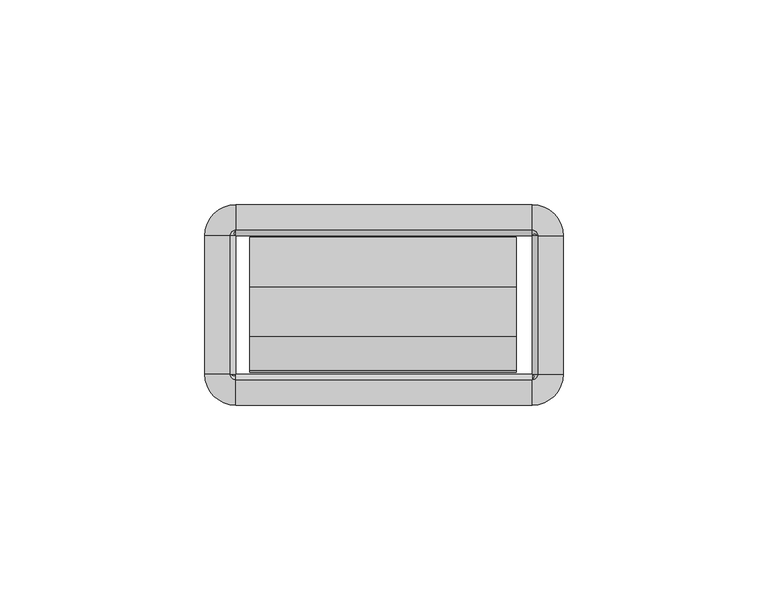
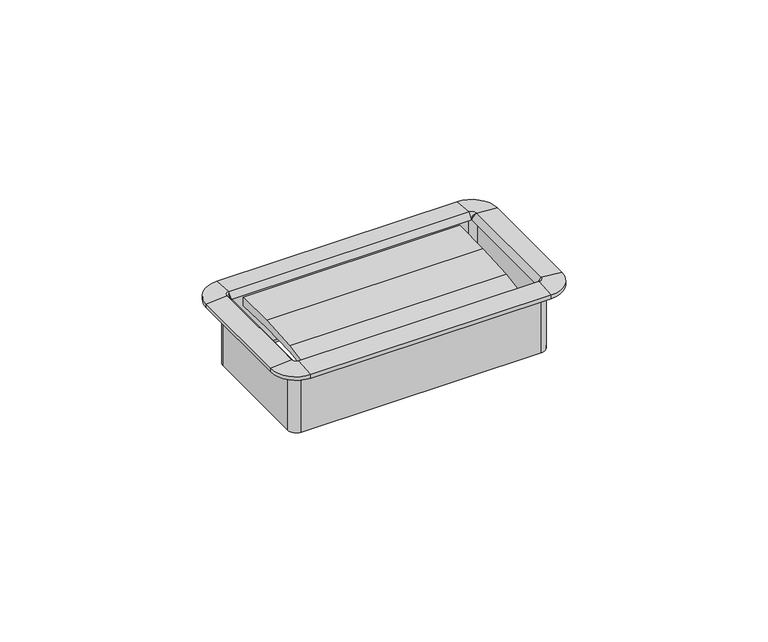
"""IFC4 building model written with IfcOpenShell, lengths in millimetres: furniture geometry."""

from ifc_helpers import new_model, si_unit, frame, origin, place, context, project, spatial, polyline, circle_curve, outline, extrude, source, transform, mapped, element, save
from ifc_brep_helpers import plane_surface, cylinder_surface, revolved_surface, advanced_brep


def furniture_b379527e(model_context):
    return source(origin(), model_context, "Body", "SolidModel", [
        extrude(outline(polyline([(-27.4015977, 720.9713463), (-35.841251, 719.9077762), (-35.4230807, 721.2857243), (-27.1272776, 722.8247401), (-15.0207956, 723.6183076), (-2.8884162, 723.6634028), (-2.9633248, 720.9052515), (-15.1814712, 721.3042355), (-27.4015977, 720.9713463)])), frame((-32.8496732, 0.0, 0.0), z_axis=(1.0, 0.0, 0.0), x_axis=(0.0, 1.0, 0.0)), (0.0, 0.0, 1.0), 65.1763996),
        advanced_brep(
        [(37.8602578, -2.54, 723.9), (36.1704551, -0.8501974, 723.9), (36.1704551, -0.8501974, 705.0532), (37.8602578, -2.54, 705.0532), (37.5244377, -2.54, 725.5652454), (36.1704551, -1.1860174, 725.5652454), (36.1704551, -2.5172282, 723.9), (43.7913825, -2.54, 725.043), (36.1704551, 5.0809274, 725.043), (43.7913825, -2.54, 723.9), (36.1704551, 5.0809274, 723.9), (38.7104551, -2.54, 703.5799989), (36.1704551, 0.0, 703.5799989), (36.1704551, 0.0, 723.9), (38.7104551, -2.54, 723.9), (37.8602578, -36.2712, 705.0532), (37.8602578, -36.2712, 723.9), (36.1932269, -36.2712, 723.9), (37.5244377, -36.2712, 725.5652454), (43.7913825, -36.2712, 725.043), (43.7913825, -36.2712, 723.9), (38.7104551, -36.2712, 723.9), (38.7104551, -36.2712, 703.5799989), (36.1704551, -37.9610026, 723.9), (36.1704551, -37.9610026, 705.0532), (36.1704551, -37.6251826, 725.5652454), (36.1704551, -43.8921274, 725.043), (36.1704551, -43.8921274, 723.9), (36.1704551, -38.8112, 703.5799989), (36.1704551, -38.8112, 723.9), (-36.1687428, -37.9610026, 705.0532), (-36.1687428, -37.9610026, 723.9), (-36.1687428, -36.2939718, 723.9), (-36.1687428, -37.6251826, 725.5652454), (-36.1687428, -43.8921274, 725.043), (-36.1687428, -43.8921274, 723.9), (-36.1687428, -38.8112, 723.9), (-36.1687428, -38.8112, 703.5799989), (-37.8585455, -36.2712, 723.9), (-37.8585455, -36.2712, 705.0532), (-37.5227254, -36.2712, 725.5652454), (-43.7896702, -36.2712, 725.043), (-43.7896702, -36.2712, 723.9), (-38.7087428, -36.2712, 703.5799989), (-38.7087428, -36.2712, 723.9), (-37.8585455, -2.54, 705.0532), (-37.8585455, -2.54, 723.9), (-36.1915146, -2.54, 723.9), (-37.5227254, -2.54, 725.5652454), (-43.7896702, -2.54, 725.043), (-43.7896702, -2.54, 723.9), (-38.7087428, -2.54, 723.9), (-38.7087428, -2.54, 703.5799989), (-36.1687428, -0.8501974, 723.9), (-36.1687428, -0.8501974, 705.0532), (-36.1687428, -1.1860174, 725.5652454), (-36.1687428, 5.0809274, 725.043), (-36.1687428, 5.0809274, 723.9), (-36.1687428, 0.0, 703.5799989), (-36.1687428, 0.0, 723.9), (38.6519521, -2.54, 705.0532), (36.1704551, -0.058503, 705.0532), (38.6519521, -36.2712, 705.0532), (36.1704551, -38.752697, 705.0532), (-36.1687428, -38.752697, 705.0532), (-38.6502398, -36.2712, 705.0532), (-38.6502398, -2.54, 705.0532), (-36.1687428, -0.058503, 705.0532)],
        [
            (0, 1, circle_curve(frame((36.1704551, -2.54, 723.9), z_axis=(0.0, 0.0, 1.0), x_axis=(0.0, 1.0, 0.0)), 1.6898026)),
            (1, 2),
            (2, 3, circle_curve(frame((36.1704551, -2.54, 705.0532), z_axis=(0.0, 0.0, -1.0), x_axis=(0.0, 1.0, 0.0)), 1.6898026)),
            (3, 0),
            (4, 5, circle_curve(frame((36.1704551, -2.54, 725.5652454), z_axis=(0.0, 0.0, 1.0), x_axis=(0.0, 1.0, 0.0)), 1.3539826)),
            (5, 6),
            (6, 4),
            (7, 8, circle_curve(frame((36.1704551, -2.54, 725.043), z_axis=(0.0, 0.0, 1.0), x_axis=(0.0, 1.0, 0.0)), 7.6209274)),
            (8, 5),
            (4, 7),
            (9, 10, circle_curve(frame((36.1704551, -2.54, 723.9), z_axis=(0.0, 0.0, 1.0), x_axis=(0.0, 1.0, 0.0)), 7.6209274)),
            (10, 8),
            (7, 9),
            (11, 12, circle_curve(frame((36.1704551, -2.54, 703.5799989), z_axis=(0.0, 0.0, 1.0), x_axis=(0.0, 1.0, 0.0)), 2.54)),
            (12, 13),
            (13, 14, circle_curve(frame((36.1704551, -2.54, 723.9), z_axis=(0.0, 0.0, -1.0), x_axis=(0.0, 1.0, 0.0)), 2.54)),
            (14, 11),
            (3, 15),
            (15, 16),
            (16, 0),
            (6, 17),
            (17, 18),
            (18, 4),
            (18, 19),
            (19, 7),
            (19, 20),
            (20, 9),
            (14, 21),
            (21, 22),
            (22, 11),
            (23, 16, circle_curve(frame((36.1704551, -36.2712, 723.9), z_axis=(0.0, 0.0, 1.0), x_axis=(1.0, 0.0, 0.0)), 1.6898026)),
            (15, 24, circle_curve(frame((36.1704551, -36.2712, 705.0532), z_axis=(0.0, 0.0, -1.0), x_axis=(1.0, 0.0, 0.0)), 1.6898026)),
            (24, 23),
            (25, 18, circle_curve(frame((36.1704551, -36.2712, 725.5652454), z_axis=(0.0, 0.0, 1.0), x_axis=(1.0, 0.0, 0.0)), 1.3539826)),
            (17, 25),
            (26, 19, circle_curve(frame((36.1704551, -36.2712, 725.043), z_axis=(0.0, 0.0, 1.0), x_axis=(1.0, 0.0, 0.0)), 7.6209274)),
            (25, 26),
            (27, 20, circle_curve(frame((36.1704551, -36.2712, 723.9), z_axis=(0.0, 0.0, 1.0), x_axis=(1.0, 0.0, 0.0)), 7.6209274)),
            (26, 27),
            (28, 22, circle_curve(frame((36.1704551, -36.2712, 703.5799989), z_axis=(0.0, 0.0, 1.0), x_axis=(1.0, 0.0, 0.0)), 2.54)),
            (21, 29, circle_curve(frame((36.1704551, -36.2712, 723.9), z_axis=(0.0, 0.0, -1.0), x_axis=(1.0, 0.0, 0.0)), 2.54)),
            (29, 28),
            (24, 30),
            (30, 31),
            (31, 23),
            (17, 32),
            (32, 33),
            (33, 25),
            (33, 34),
            (34, 26),
            (34, 35),
            (35, 27),
            (29, 36),
            (36, 37),
            (37, 28),
            (38, 31, circle_curve(frame((-36.1687428, -36.2712, 723.9), z_axis=(0.0, 0.0, 1.0), x_axis=(0.0, -1.0, 0.0)), 1.6898026)),
            (30, 39, circle_curve(frame((-36.1687428, -36.2712, 705.0532), z_axis=(0.0, 0.0, -1.0), x_axis=(0.0, -1.0, 0.0)), 1.6898026)),
            (39, 38),
            (40, 33, circle_curve(frame((-36.1687428, -36.2712, 725.5652454), z_axis=(0.0, 0.0, 1.0), x_axis=(0.0, -1.0, 0.0)), 1.3539826)),
            (32, 40),
            (41, 34, circle_curve(frame((-36.1687428, -36.2712, 725.043), z_axis=(0.0, 0.0, 1.0), x_axis=(0.0, -1.0, 0.0)), 7.6209274)),
            (40, 41),
            (42, 35, circle_curve(frame((-36.1687428, -36.2712, 723.9), z_axis=(0.0, 0.0, 1.0), x_axis=(0.0, -1.0, 0.0)), 7.6209274)),
            (41, 42),
            (43, 37, circle_curve(frame((-36.1687428, -36.2712, 703.5799989), z_axis=(0.0, 0.0, 1.0), x_axis=(0.0, -1.0, 0.0)), 2.54)),
            (36, 44, circle_curve(frame((-36.1687428, -36.2712, 723.9), z_axis=(0.0, 0.0, -1.0), x_axis=(0.0, -1.0, 0.0)), 2.54)),
            (44, 43),
            (39, 45),
            (45, 46),
            (46, 38),
            (32, 47),
            (47, 48),
            (48, 40),
            (48, 49),
            (49, 41),
            (49, 50),
            (50, 42),
            (44, 51),
            (51, 52),
            (52, 43),
            (53, 46, circle_curve(frame((-36.1687428, -2.54, 723.9), z_axis=(0.0, 0.0, 1.0), x_axis=(-1.0, 0.0, 0.0)), 1.6898026)),
            (45, 54, circle_curve(frame((-36.1687428, -2.54, 705.0532), z_axis=(0.0, 0.0, -1.0), x_axis=(-1.0, 0.0, 0.0)), 1.6898026)),
            (54, 53),
            (55, 48, circle_curve(frame((-36.1687428, -2.54, 725.5652454), z_axis=(0.0, 0.0, 1.0), x_axis=(-1.0, 0.0, 0.0)), 1.3539826)),
            (47, 55),
            (56, 49, circle_curve(frame((-36.1687428, -2.54, 725.043), z_axis=(0.0, 0.0, 1.0), x_axis=(-1.0, 0.0, 0.0)), 7.6209274)),
            (55, 56),
            (57, 50, circle_curve(frame((-36.1687428, -2.54, 723.9), z_axis=(0.0, 0.0, 1.0), x_axis=(-1.0, 0.0, 0.0)), 7.6209274)),
            (56, 57),
            (58, 52, circle_curve(frame((-36.1687428, -2.54, 703.5799989), z_axis=(0.0, 0.0, 1.0), x_axis=(-1.0, 0.0, 0.0)), 2.54)),
            (51, 59, circle_curve(frame((-36.1687428, -2.54, 723.9), z_axis=(0.0, 0.0, -1.0), x_axis=(-1.0, 0.0, 0.0)), 2.54)),
            (59, 58),
            (54, 2),
            (1, 53),
            (6, 47),
            (5, 55),
            (8, 56),
            (10, 57),
            (13, 59),
            (12, 58),
            (60, 61, circle_curve(frame((36.1704551, -2.54, 705.0532), z_axis=(0.0, 0.0, 1.0), x_axis=(0.0, 1.0, 0.0)), 2.481497)),
            (61, 12),
            (11, 60),
            (22, 62),
            (62, 60),
            (63, 62, circle_curve(frame((36.1704551, -36.2712, 705.0532), z_axis=(0.0, 0.0, 1.0), x_axis=(1.0, 0.0, 0.0)), 2.481497)),
            (28, 63),
            (37, 64),
            (64, 63),
            (65, 64, circle_curve(frame((-36.1687428, -36.2712, 705.0532), z_axis=(0.0, 0.0, 1.0), x_axis=(0.0, -1.0, 0.0)), 2.481497)),
            (43, 65),
            (52, 66),
            (66, 65),
            (67, 66, circle_curve(frame((-36.1687428, -2.54, 705.0532), z_axis=(0.0, 0.0, 1.0), x_axis=(-1.0, 0.0, 0.0)), 2.481497)),
            (58, 67),
            (61, 67),
        ],
        [
            revolved_surface(polyline([(36.1704551, -0.8501974000000001, 705.0532), (36.1704551, -0.8501974000000001, 723.9)]), (36.1704551, -2.54, 723.9), (0.0, 0.0, -1.0)),
            revolved_surface(polyline([(36.1704551, -2.5172282, 723.9), (36.1704551, -1.1860174, 725.5652454)]), (36.1704551, -2.54, 723.9), (0.0, 0.0, -1.0)),
            revolved_surface(polyline([(36.1704551, -1.1860174, 725.5652454), (36.1704551, 5.0809274, 725.043)]), (36.1704551, -2.54, 723.9), (0.0, 0.0, -1.0)),
            cylinder_surface(frame((36.1704551, -2.54, 723.9), z_axis=(0.0, 0.0, -1.0), x_axis=(0.0, 1.0, 0.0)), 7.6209274),
            cylinder_surface(frame((36.1704551, -2.54, 723.9), z_axis=(0.0, 0.0, -1.0), x_axis=(0.0, 1.0, 0.0)), 2.54),
            plane_surface(frame((37.8602578, -2.54, 705.0532), z_axis=(-1.0, 0.0, 0.0), x_axis=(0.0, -1.0, 0.0))),
            plane_surface(frame((36.1932269, -2.54, 723.9), z_axis=(-0.7810942622858547, 0.0, 0.6244131272035499), x_axis=(0.0, -1.0, 0.0))),
            plane_surface(frame((37.5244377, -2.54, 725.5652454), z_axis=(0.08304548081379862, 0.0, 0.9965457581648749), x_axis=(0.0, -1.0, 0.0))),
            plane_surface(frame((43.7913825, -2.54, 725.043), z_axis=(1.0, 0.0, 0.0), x_axis=(0.0, -1.0, 0.0))),
            plane_surface(frame((38.7104551, -2.54, 723.9), z_axis=(1.0, 0.0, 0.0), x_axis=(0.0, -1.0, 0.0))),
            revolved_surface(polyline([(37.8602577, -36.2712, 705.0532), (37.8602577, -36.2712, 723.9)]), (36.1704551, -36.2712, 723.9), (0.0, 0.0, -1.0)),
            revolved_surface(polyline([(36.1932269, -36.2712, 723.9), (37.5244377, -36.2712, 725.5652454)]), (36.1704551, -36.2712, 723.9), (0.0, 0.0, -1.0)),
            revolved_surface(polyline([(37.5244377, -36.2712, 725.5652454), (43.7913825, -36.2712, 725.043)]), (36.1704551, -36.2712, 723.9), (0.0, 0.0, -1.0)),
            cylinder_surface(frame((36.1704551, -36.2712, 723.9), z_axis=(0.0, 0.0, -1.0), x_axis=(1.0, 0.0, 0.0)), 7.6209274),
            cylinder_surface(frame((36.1704551, -36.2712, 723.9), z_axis=(0.0, 0.0, -1.0), x_axis=(1.0, 0.0, 0.0)), 2.54),
            plane_surface(frame((36.1704551, -37.9610026, 705.0532), z_axis=(0.0, 1.0, 0.0), x_axis=(-1.0, 0.0, 0.0))),
            plane_surface(frame((36.1704551, -36.2939718, 723.9), z_axis=(0.0, 0.7810942622858565, 0.6244131272035475), x_axis=(-1.0, 0.0, 0.0))),
            plane_surface(frame((36.1704551, -37.6251826, 725.5652454), z_axis=(0.0, -0.08304548081379555, 0.9965457581648751), x_axis=(-1.0, 0.0, 0.0))),
            plane_surface(frame((36.1704551, -43.8921274, 725.043), z_axis=(0.0, -1.0, 0.0), x_axis=(-1.0, 0.0, 0.0))),
            plane_surface(frame((36.1704551, -38.8112, 723.9), z_axis=(0.0, -1.0, 0.0), x_axis=(-1.0, 0.0, 0.0))),
            revolved_surface(polyline([(-36.1687428, -37.9610026, 705.0532), (-36.1687428, -37.9610026, 723.9)]), (-36.1687428, -36.2712, 723.9), (0.0, 0.0, -1.0)),
            revolved_surface(polyline([(-36.1687428, -36.2939718, 723.9), (-36.1687428, -37.6251826, 725.5652454)]), (-36.1687428, -36.2712, 723.9), (0.0, 0.0, -1.0)),
            revolved_surface(polyline([(-36.1687428, -37.6251826, 725.5652454), (-36.1687428, -43.8921274, 725.043)]), (-36.1687428, -36.2712, 723.9), (0.0, 0.0, -1.0)),
            cylinder_surface(frame((-36.1687428, -36.2712, 723.9), z_axis=(0.0, 0.0, -1.0), x_axis=(0.0, -1.0, 0.0)), 7.6209274),
            cylinder_surface(frame((-36.1687428, -36.2712, 723.9), z_axis=(0.0, 0.0, -1.0), x_axis=(0.0, -1.0, 0.0)), 2.54),
            plane_surface(frame((-37.8585455, -36.2712, 705.0532), z_axis=(1.0, 0.0, 0.0), x_axis=(0.0, 1.0, 0.0))),
            plane_surface(frame((-36.1915146, -36.2712, 723.9), z_axis=(0.7810942622858585, 0.0, 0.6244131272035451), x_axis=(0.0, 1.0, 0.0))),
            plane_surface(frame((-37.5227254, -36.2712, 725.5652454), z_axis=(-0.08304548081379248, 0.0, 0.9965457581648753), x_axis=(0.0, 1.0, 0.0))),
            plane_surface(frame((-43.7896702, -36.2712, 725.043), z_axis=(-1.0, 0.0, 0.0), x_axis=(0.0, 1.0, 0.0))),
            plane_surface(frame((-38.7087428, -36.2712, 723.9), z_axis=(-1.0, 0.0, 0.0), x_axis=(0.0, 1.0, 0.0))),
            revolved_surface(polyline([(-37.8585454, -2.54, 705.0532), (-37.8585454, -2.54, 723.9)]), (-36.1687428, -2.54, 723.9), (0.0, 0.0, -1.0)),
            revolved_surface(polyline([(-36.1915146, -2.54, 723.9), (-37.5227254, -2.54, 725.5652454)]), (-36.1687428, -2.54, 723.9), (0.0, 0.0, -1.0)),
            revolved_surface(polyline([(-37.5227254, -2.54, 725.5652454), (-43.7896702, -2.54, 725.043)]), (-36.1687428, -2.54, 723.9), (0.0, 0.0, -1.0)),
            cylinder_surface(frame((-36.1687428, -2.54, 723.9), z_axis=(0.0, 0.0, -1.0), x_axis=(-1.0, 0.0, 0.0)), 7.6209274),
            cylinder_surface(frame((-36.1687428, -2.54, 723.9), z_axis=(0.0, 0.0, -1.0), x_axis=(-1.0, 0.0, 0.0)), 2.54),
            plane_surface(frame((-36.1687428, -0.8501974, 705.0532), z_axis=(0.0, -1.0, 0.0), x_axis=(1.0, 0.0, 0.0))),
            plane_surface(frame((-36.1687428, -0.8501974, 723.9), z_axis=(0.0, 0.0, -1.0), x_axis=(1.0, 0.0, 0.0))),
            plane_surface(frame((-36.1687428, -2.5172282, 723.9), z_axis=(0.0, -0.7810942622858567, 0.6244131272035476), x_axis=(1.0, 0.0, 0.0))),
            plane_surface(frame((-36.1687428, -1.1860174, 725.5652454), z_axis=(0.0, 0.08304548081379555, 0.9965457581648751), x_axis=(1.0, 0.0, 0.0))),
            plane_surface(frame((-36.1687428, 5.0809274, 725.043), z_axis=(0.0, 1.0, 0.0), x_axis=(1.0, 0.0, 0.0))),
            plane_surface(frame((-36.1687428, 5.0809274, 723.9), z_axis=(0.0, 0.0, -1.0), x_axis=(1.0, 0.0, 0.0))),
            plane_surface(frame((-36.1687428, 0.0, 723.9), z_axis=(0.0, 1.0, 0.0), x_axis=(1.0, 0.0, 0.0))),
            revolved_surface(polyline([(36.1704551, 0.0, 703.5799989), (36.1704551, -0.058503, 705.0532)]), (36.1704551, -2.54, 723.9), (0.0, 0.0, -1.0)),
            plane_surface(frame((38.7104551, -2.54, 703.5799989), z_axis=(-0.9992124303949471, 0.0, -0.03968020847000604), x_axis=(0.0, -1.0, 0.0))),
            revolved_surface(polyline([(38.7104551, -36.2712, 703.5799989), (38.6519521, -36.2712, 705.0532)]), (36.1704551, -36.2712, 723.9), (0.0, 0.0, -1.0)),
            plane_surface(frame((36.1704551, -38.8112, 703.5799989), z_axis=(0.0, 0.999212430394947, -0.039680208470009116), x_axis=(-1.0, 0.0, 0.0))),
            revolved_surface(polyline([(-36.1687428, -38.8112, 703.5799989), (-36.1687428, -38.752697, 705.0532)]), (-36.1687428, -36.2712, 723.9), (0.0, 0.0, -1.0)),
            plane_surface(frame((-38.7087428, -36.2712, 703.5799989), z_axis=(0.9992124303949469, 0.0, -0.03968020847001219), x_axis=(0.0, 1.0, 0.0))),
            revolved_surface(polyline([(-38.7087428, -2.54, 703.5799989), (-38.6502398, -2.54, 705.0532)]), (-36.1687428, -2.54, 723.9), (0.0, 0.0, -1.0)),
            plane_surface(frame((-36.1687428, 0.0, 703.5799989), z_axis=(0.0, -0.999212430394947, -0.039680208470009116), x_axis=(1.0, 0.0, 0.0))),
            plane_surface(frame((-36.1687428, -0.058503, 705.0532), z_axis=(0.0, 0.0, -1.0), x_axis=(1.0, 0.0, 0.0))),
        ],
        [
            (0, [[1, 2, 3, 4]]),
            (1, [[5, 6, 7]]),
            (2, [[8, 9, -5, 10]]),
            (3, [[11, 12, -8, 13]]),
            (4, [[14, 15, 16, 17]]),
            (5, [[-4, 18, 19, 20]]),
            (6, [[-7, 21, 22, 23]]),
            (7, [[-10, -23, 24, 25]]),
            (8, [[-13, -25, 26, 27]]),
            (9, [[-17, 28, 29, 30]]),
            (10, [[31, -19, 32, 33]]),
            (11, [[34, -22, 35]]),
            (12, [[36, -24, -34, 37]]),
            (13, [[38, -26, -36, 39]]),
            (14, [[40, -29, 41, 42]]),
            (15, [[-33, 43, 44, 45]]),
            (16, [[-35, 46, 47, 48]]),
            (17, [[-37, -48, 49, 50]]),
            (18, [[-39, -50, 51, 52]]),
            (19, [[-42, 53, 54, 55]]),
            (20, [[56, -44, 57, 58]]),
            (21, [[59, -47, 60]]),
            (22, [[61, -49, -59, 62]]),
            (23, [[63, -51, -61, 64]]),
            (24, [[65, -54, 66, 67]]),
            (25, [[-58, 68, 69, 70]]),
            (26, [[-60, 71, 72, 73]]),
            (27, [[-62, -73, 74, 75]]),
            (28, [[-64, -75, 76, 77]]),
            (29, [[-67, 78, 79, 80]]),
            (30, [[81, -69, 82, 83]]),
            (31, [[84, -72, 85]]),
            (32, [[86, -74, -84, 87]]),
            (33, [[88, -76, -86, 89]]),
            (34, [[90, -79, 91, 92]]),
            (35, [[-83, 93, -2, 94]]),
            (36, [[-70, -81, -94, -1, -20, -31, -45, -56], [95, -71, -46, -21]]),
            (37, [[-85, -95, -6, 96]]),
            (38, [[-87, -96, -9, 97]]),
            (39, [[-89, -97, -12, 98]]),
            (40, [[-77, -88, -98, -11, -27, -38, -52, -63], [99, -91, -78, -66, -53, -41, -28, -16]]),
            (41, [[-92, -99, -15, 100]]),
            (42, [[101, 102, -14, 103]]),
            (43, [[-103, -30, 104, 105]]),
            (44, [[106, -104, -40, 107]]),
            (45, [[-107, -55, 108, 109]]),
            (46, [[110, -108, -65, 111]]),
            (47, [[-111, -80, 112, 113]]),
            (48, [[114, -112, -90, 115]]),
            (49, [[-115, -100, -102, 116]]),
            (50, [[-113, -114, -116, -101, -105, -106, -109, -110], [-93, -82, -68, -57, -43, -32, -18, -3]]),
        ],
    ),
    ])


if __name__ == "__main__":
    model = new_model("IFC4")
    model_context = context("Model", 3, world=origin())
    ifc_project = project(units=[si_unit("LENGTHUNIT", "METRE", prefix="MILLI")], contexts=[model_context])
    site = spatial("IfcSite", under=ifc_project)
    building = spatial("IfcBuilding", under=site)
    placement = place(None, origin())
    furniture_shape = furniture_b379527e(model_context)
    element("IfcFurniture", 1, at=placement, inside=building, context=model_context, shape_type="MappedRepresentation", body=[
        mapped(furniture_shape, transform((0.0, 0.0, 0.0), x_axis=(1.0, 0.0, 0.0), y_axis=(0.0, 1.0, 0.0), z_axis=(0.0, 0.0, 1.0))),
    ])
    save(model, "model.ifc")
